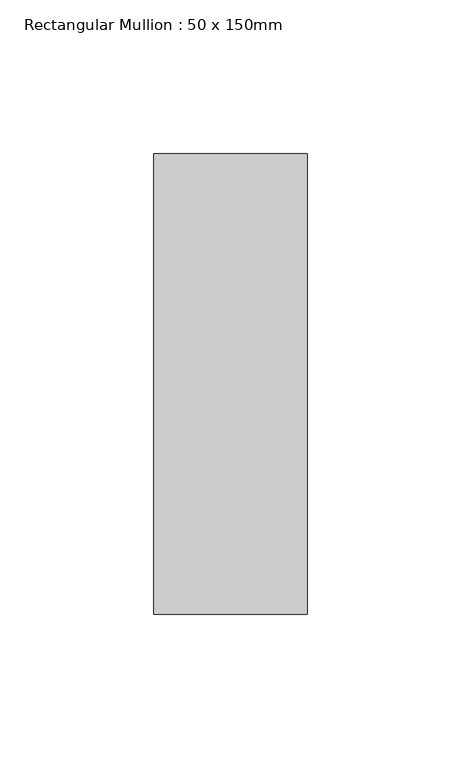
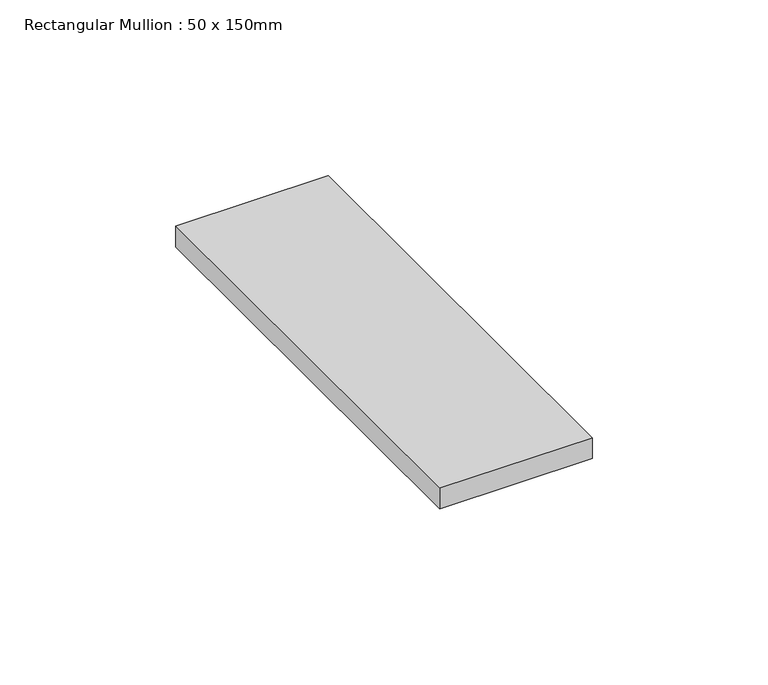
"""IFC4 building model written with IfcOpenShell, lengths in millimetres: member geometry, Rectangular Mullion : 50 x 150mm."""

from ifc_helpers import new_model, si_unit, frame, origin, place, context, project, spatial, polyline, outline, extrude, source, transform, mapped, element, save


def rectangular_mullion_50_x_150mm_ca85141c(model_context):
    return source(origin(), model_context, "Body", "SweptSolid", [
        extrude(outline(polyline([(25.0, 75.0), (25.0, -75.0), (-25.0, -75.0), (-25.0, 75.0), (25.0, 75.0)])), frame((0.0, 0.0, -7.1955488), z_axis=(0.0, 0.0, 1.0), x_axis=(1.0, 0.0, 0.0)), (0.0, 0.0, 1.0), 7.1955488),
    ])


if __name__ == "__main__":
    model = new_model("IFC4")
    model_context = context("Model", 3, world=origin())
    ifc_project = project(units=[si_unit("LENGTHUNIT", "METRE", prefix="MILLI")], contexts=[model_context])
    site = spatial("IfcSite", under=ifc_project)
    building = spatial("IfcBuilding", under=site)
    placement = place(None, origin())
    rectangular_mullion_50_x_150mm_shape = rectangular_mullion_50_x_150mm_ca85141c(model_context)
    element("IfcMember", 1, ObjectType="Rectangular Mullion : 50 x 150mm", at=placement, inside=building, context=model_context, shape_type="MappedRepresentation", body=[
        mapped(rectangular_mullion_50_x_150mm_shape, transform((0.0, 0.0, 0.0), x_axis=(1.0, 0.0, 0.0), y_axis=(0.0, 1.0, 0.0), z_axis=(0.0, 0.0, 1.0))),
    ])
    save(model, "model.ifc")
